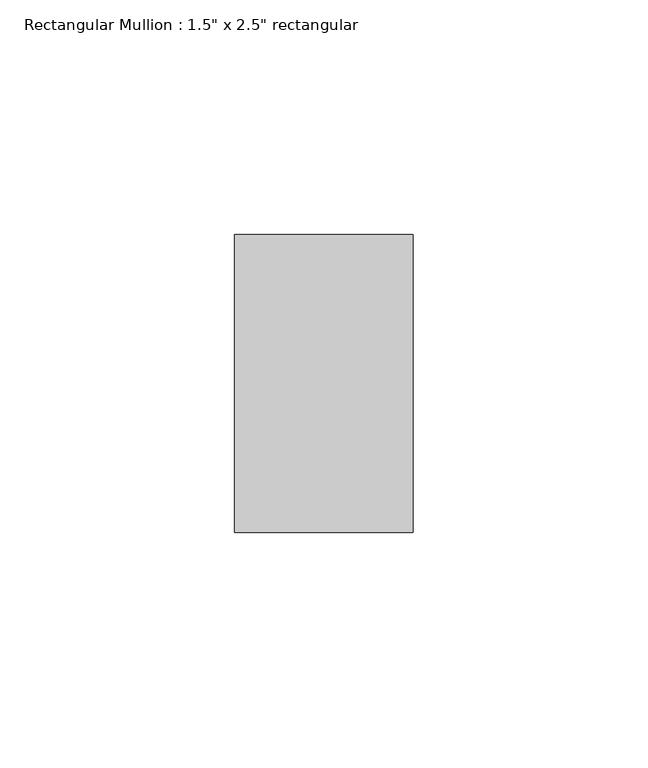
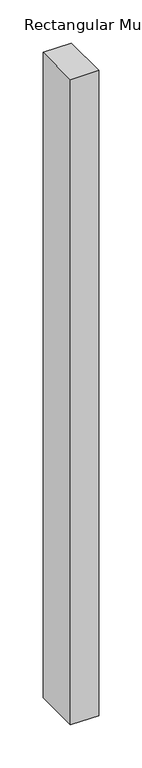
"""IFC4 building model written with IfcOpenShell, lengths in millimetres: member geometry."""

from ifc_helpers import new_model, si_unit, frame, origin, place, context, project, spatial, polyline, outline, extrude, source, transform, mapped, element, save


def member_16f9eb11(model_context):
    return source(origin(), model_context, "Body", "SweptSolid", [
        extrude(outline(polyline([(19.05, 31.75), (19.05, -31.75), (-19.05, -31.75), (-19.05, 31.75), (19.05, 31.75)])), frame((0.0, 0.0, -914.4), z_axis=(0.0, 0.0, 1.0), x_axis=(1.0, 0.0, 0.0)), (0.0, 0.0, 1.0), 914.4),
    ])


if __name__ == "__main__":
    model = new_model("IFC4")
    model_context = context("Model", 3, world=origin())
    ifc_project = project(units=[si_unit("LENGTHUNIT", "METRE", prefix="MILLI")], contexts=[model_context])
    site = spatial("IfcSite", under=ifc_project)
    building = spatial("IfcBuilding", under=site)
    placement = place(None, origin())
    member_shape = member_16f9eb11(model_context)
    element("IfcMember", 1, ObjectType="Rectangular Mullion : 1.5\" x 2.5\" rectangular", at=placement, inside=building, context=model_context, shape_type="MappedRepresentation", body=[
        mapped(member_shape, transform((0.0, 0.0, 0.0), x_axis=(1.0, 0.0, 0.0), y_axis=(0.0, 1.0, 0.0), z_axis=(0.0, 0.0, 1.0))),
    ])
    save(model, "model.ifc")
